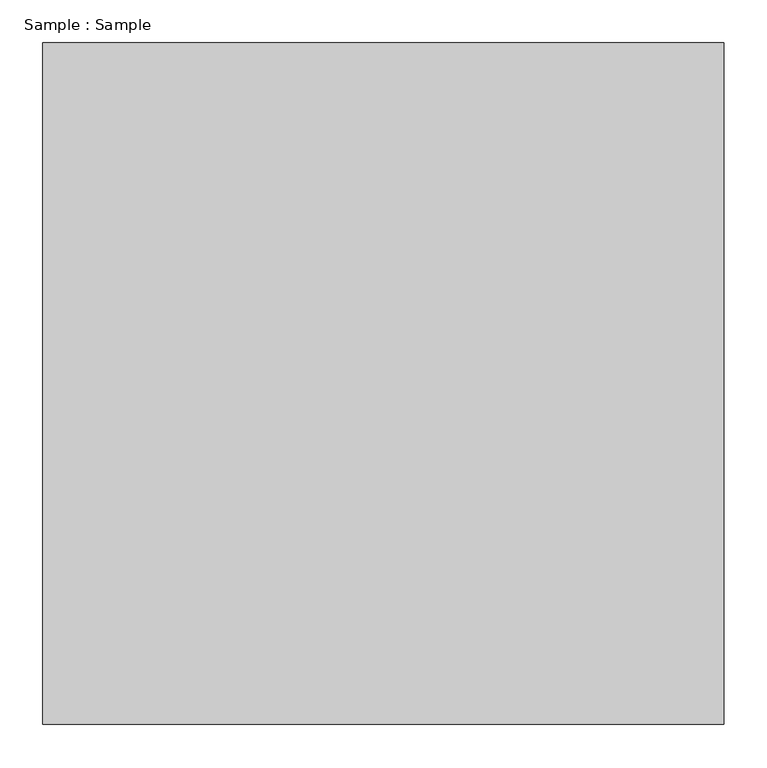
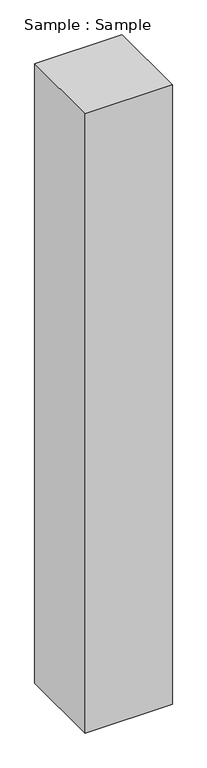
"""IFC4 building model written with IfcOpenShell, lengths in millimetres: proxy geometry, Sample : Sample."""

from ifc_helpers import new_model, si_unit, origin, origin_with_axes, place, context, project, spatial, polyline, outline, extrude, source, transform, mapped, element, save


def sample_sample_6e28d8f5(model_context):
    return source(origin(), model_context, "Body", "SweptSolid", [
        extrude(outline(polyline([(400.0, 400.0), (400.0, -400.0), (-400.0, -400.0), (-400.0, 400.0), (400.0, 400.0)])), origin_with_axes(), (0.0, 0.0, 1.0), 6000.0),
    ])


if __name__ == "__main__":
    model = new_model("IFC4")
    model_context = context("Model", 3, world=origin())
    ifc_project = project(units=[si_unit("LENGTHUNIT", "METRE", prefix="MILLI")], contexts=[model_context])
    site = spatial("IfcSite", under=ifc_project)
    building = spatial("IfcBuilding", under=site)
    placement = place(None, origin())
    sample_sample_shape = sample_sample_6e28d8f5(model_context)
    element("IfcBuildingElementProxy", 1, Name="Sample : Sample", ObjectType="Sample : Sample", at=placement, inside=building, context=model_context, shape_type="MappedRepresentation", body=[
        mapped(sample_sample_shape, transform((0.0, 0.0, 0.0), x_axis=(1.0, 0.0, 0.0), y_axis=(0.0, 1.0, 0.0), z_axis=(0.0, 0.0, 1.0))),
    ])
    save(model, "model.ifc")
